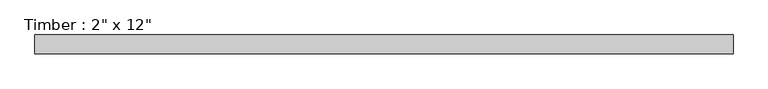
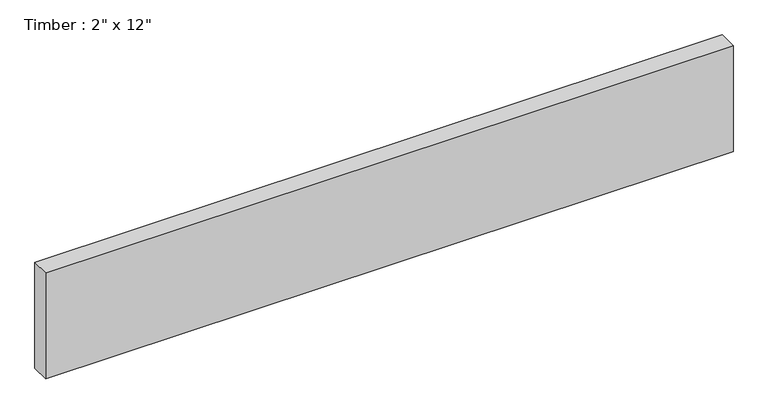
"""IFC4 building model written with IfcOpenShell, lengths in millimetres: beam geometry."""

from ifc_helpers import new_model, si_unit, frame, origin, place, context, project, spatial, polyline, outline, extrude, source, transform, mapped, element, save


def beam_69cfc6a0(model_context):
    return source(origin(), model_context, "Body", "SweptSolid", [
        extrude(outline(polyline([(938.9031731, 25.4), (938.9031731, -25.4), (-930.1300061, -25.4), (-930.1300061, 25.4), (938.9031731, 25.4)])), frame((0.0, 0.0, -152.4), z_axis=(0.0, 0.0, 1.0), x_axis=(1.0, 0.0, 0.0)), (0.0, 0.0, 1.0), 304.8),
    ])


if __name__ == "__main__":
    model = new_model("IFC4")
    model_context = context("Model", 3, world=origin())
    ifc_project = project(units=[si_unit("LENGTHUNIT", "METRE", prefix="MILLI")], contexts=[model_context])
    site = spatial("IfcSite", under=ifc_project)
    building = spatial("IfcBuilding", under=site)
    placement = place(None, origin())
    beam_shape = beam_69cfc6a0(model_context)
    element("IfcBeam", 1, ObjectType="Timber : 2\" x 12\"", at=placement, inside=building, context=model_context, shape_type="MappedRepresentation", body=[
        mapped(beam_shape, transform((0.0, 0.0, 0.0), x_axis=(1.0, 0.0, 0.0), y_axis=(0.0, 1.0, 0.0), z_axis=(0.0, 0.0, 1.0))),
    ])
    save(model, "model.ifc")
